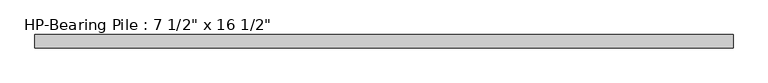
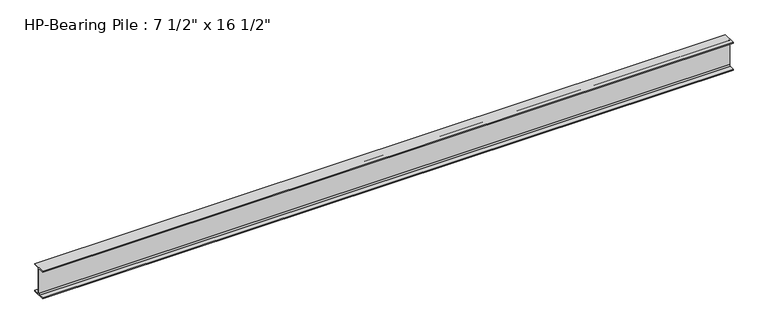
"""IFC4 building model written with IfcOpenShell, lengths in millimetres: beam geometry."""

from ifc_helpers import new_model, si_unit, point, frame, frame_2d, origin, place, context, project, spatial, polyline, circle_curve, trimmed, segment, composite_curve, outline, extrude, source, transform, mapped, element, save


def beam_e9626b5e(model_context):
    return source(origin(), model_context, "Body", "SweptSolid", [
        extrude(outline(composite_curve([segment(polyline([(95.25, -196.453125), (95.25, -209.55), (-95.25, -209.55), (-95.25, -196.453125), (-25.2015625, -196.453125)]), True, "CONTINUOUS"), segment(trimmed(circle_curve(frame_2d((-25.2015625, -177.8)), 18.653125), [point((-25.2015625, -196.453125))], [point((-6.5484375, -177.8))], True, "CARTESIAN"), True, "CONTINUOUS"), segment(polyline([(-6.5484375, -177.8), (-6.5484375, 177.8)]), True, "CONTINUOUS"), segment(trimmed(circle_curve(frame_2d((-25.2015625, 177.8)), 18.653125), [point((-6.5484375, 177.8))], [point((-25.2015625, 196.453125))], True, "CARTESIAN"), True, "CONTINUOUS"), segment(polyline([(-25.2015625, 196.453125), (-95.25, 196.453125), (-95.25, 209.55), (95.25, 209.55), (95.25, 196.453125), (25.2015625, 196.453125)]), True, "CONTINUOUS"), segment(trimmed(circle_curve(frame_2d((25.2015625, 177.8)), 18.653125), [point((25.2015625, 196.453125))], [point((6.5484375, 177.8))], True, "CARTESIAN"), True, "CONTINUOUS"), segment(polyline([(6.5484375, 177.8), (6.5484375, -177.8)]), True, "CONTINUOUS"), segment(trimmed(circle_curve(frame_2d((25.2015625, -177.8)), 18.653125), [point((6.5484375, -177.8))], [point((25.2015625, -196.453125))], True, "CARTESIAN"), True, "CONTINUOUS"), segment(polyline([(25.2015625, -196.453125), (95.25, -196.453125)]), True, "CONTINUOUS")], self_intersect=False)), frame((-4974.9652807, 0.0, 0.0), z_axis=(1.0, 0.0, 0.0), x_axis=(0.0, 1.0, 0.0)), (0.0, 0.0, 1.0), 9949.9305615),
    ])


if __name__ == "__main__":
    model = new_model("IFC4")
    model_context = context("Model", 3, world=origin())
    ifc_project = project(units=[si_unit("LENGTHUNIT", "METRE", prefix="MILLI")], contexts=[model_context])
    site = spatial("IfcSite", under=ifc_project)
    building = spatial("IfcBuilding", under=site)
    placement = place(None, origin())
    beam_shape = beam_e9626b5e(model_context)
    element("IfcBeam", 1, ObjectType="HP-Bearing Pile : 7 1/2\" x 16 1/2\"", at=placement, inside=building, context=model_context, shape_type="MappedRepresentation", body=[
        mapped(beam_shape, transform((0.0, 0.0, 0.0), x_axis=(1.0, 0.0, 0.0), y_axis=(0.0, 1.0, 0.0), z_axis=(0.0, 0.0, 1.0))),
    ])
    save(model, "model.ifc")
